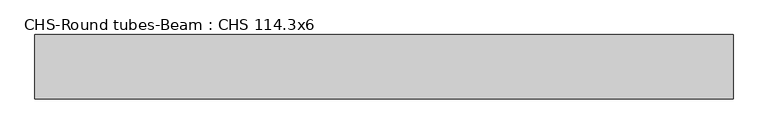
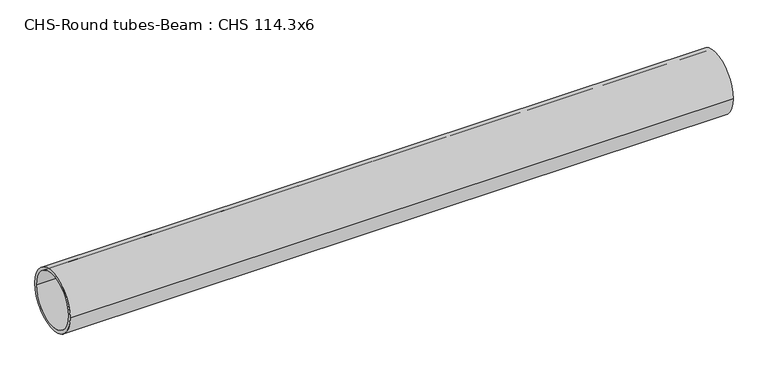
"""IFC4 building model written with IfcOpenShell, lengths in millimetres: beam geometry, CHS-Round tubes-Beam : CHS 114.3x6."""

from ifc_helpers import new_model, si_unit, point, frame, origin, origin_2d, place, context, project, spatial, circle_curve, trimmed, segment, composite_curve, outline, extrude, source, transform, mapped, element, save


def chs_round_tubes_beam_chs_114_3x6_e545c798(model_context):
    return source(origin(), model_context, "Body", "SweptSolid", [
        extrude(outline(composite_curve([segment(trimmed(circle_curve(origin_2d(), 57.15), [point((57.15, 0.0))], [point((-57.15, 0.0))], False, "CARTESIAN"), True, "CONTINUOUS"), segment(trimmed(circle_curve(origin_2d(), 57.15), [point((-57.15, 0.0))], [point((57.15, 0.0))], False, "CARTESIAN"), True, "CONTINUOUS")], self_intersect=False), holes=[composite_curve([segment(trimmed(circle_curve(origin_2d(), 51.15), [point((51.15, 0.0))], [point((-51.15, 0.0))], True, "CARTESIAN"), True, "CONTINUOUS"), segment(trimmed(circle_curve(origin_2d(), 51.15), [point((-51.15, 0.0))], [point((51.15, 0.0))], True, "CARTESIAN"), True, "CONTINUOUS")], self_intersect=False)]), frame((-621.1303037, 0.0, 0.0), z_axis=(1.0, 0.0, 0.0), x_axis=(0.0, 1.0, 0.0)), (0.0, 0.0, 1.0), 1242.2606074),
    ])


if __name__ == "__main__":
    model = new_model("IFC4")
    model_context = context("Model", 3, world=origin())
    ifc_project = project(units=[si_unit("LENGTHUNIT", "METRE", prefix="MILLI")], contexts=[model_context])
    site = spatial("IfcSite", under=ifc_project)
    building = spatial("IfcBuilding", under=site)
    placement = place(None, origin())
    chs_round_tubes_beam_chs_114_3x6_shape = chs_round_tubes_beam_chs_114_3x6_e545c798(model_context)
    element("IfcBeam", 1, ObjectType="CHS-Round tubes-Beam : CHS 114.3x6", at=placement, inside=building, context=model_context, shape_type="MappedRepresentation", body=[
        mapped(chs_round_tubes_beam_chs_114_3x6_shape, transform((0.0, 0.0, 0.0), x_axis=(1.0, 0.0, 0.0), y_axis=(0.0, 1.0, 0.0), z_axis=(0.0, 0.0, 1.0))),
    ])
    save(model, "model.ifc")
